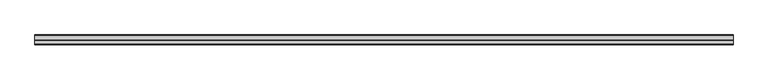
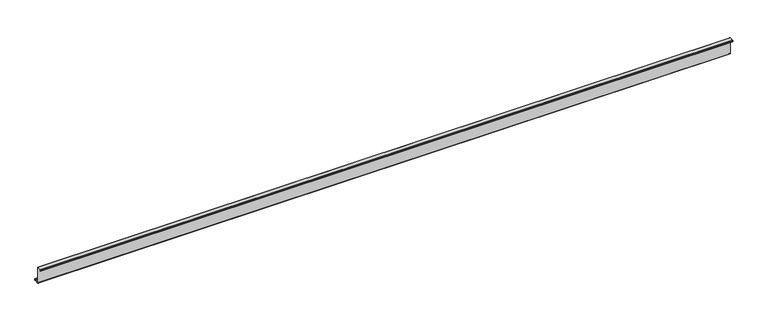
"""IFC4 building model written with IfcOpenShell, lengths in millimetres: member geometry."""

from ifc_helpers import new_model, si_unit, point, frame, frame_2d, origin, place, context, project, spatial, polyline, circle_curve, trimmed, segment, composite_curve, outline, extrude, source, transform, mapped, element, save


def member_78ccd641(model_context):
    return source(origin(), model_context, "Body", "SweptSolid", [
        extrude(outline(composite_curve([segment(polyline([(0.0, -123.5), (0.0, 123.5)]), True, "CONTINUOUS"), segment(trimmed(circle_curve(frame_2d((-2.0, 123.5)), 2.0), [point((0.0, 123.5))], [point((-2.0, 125.5))], True, "CARTESIAN"), True, "CONTINUOUS"), segment(polyline([(-2.0, 125.5), (-63.5, 125.5)]), True, "CONTINUOUS"), segment(trimmed(circle_curve(frame_2d((-63.5, 123.5)), 2.0), [point((-63.5, 125.5))], [point((-65.5, 123.5))], True, "CARTESIAN"), True, "CONTINUOUS"), segment(polyline([(-65.5, 123.5), (-65.5, 107.0), (-67.0, 107.0), (-67.0, 123.5)]), True, "CONTINUOUS"), segment(trimmed(circle_curve(frame_2d((-63.5, 123.5)), 3.5), [point((-67.0, 123.5))], [point((-63.5, 127.0))], False, "CARTESIAN"), True, "CONTINUOUS"), segment(polyline([(-63.5, 127.0), (-2.0, 127.0)]), True, "CONTINUOUS"), segment(trimmed(circle_curve(frame_2d((-2.0, 123.5)), 3.5), [point((-2.0, 127.0))], [point((1.5, 123.5))], False, "CARTESIAN"), True, "CONTINUOUS"), segment(polyline([(1.5, 123.5), (1.5, -123.5)]), True, "CONTINUOUS"), segment(trimmed(circle_curve(frame_2d((3.5, -123.5)), 2.0), [point((1.5, -123.5))], [point((3.5, -125.5))], True, "CARTESIAN"), True, "CONTINUOUS"), segment(polyline([(3.5, -125.5), (75.0, -125.5)]), True, "CONTINUOUS"), segment(trimmed(circle_curve(frame_2d((75.0, -123.5)), 2.0), [point((75.0, -125.5))], [point((77.0, -123.5))], True, "CARTESIAN"), True, "CONTINUOUS"), segment(polyline([(77.0, -123.5), (77.0, -107.5), (78.5, -107.5), (78.5, -123.5)]), True, "CONTINUOUS"), segment(trimmed(circle_curve(frame_2d((75.0, -123.5)), 3.5), [point((78.5, -123.5))], [point((75.0, -127.0))], False, "CARTESIAN"), True, "CONTINUOUS"), segment(polyline([(75.0, -127.0), (3.5, -127.0)]), True, "CONTINUOUS"), segment(trimmed(circle_curve(frame_2d((3.5, -123.5)), 3.5), [point((3.5, -127.0))], [point((0.0, -123.5))], False, "CARTESIAN"), True, "CONTINUOUS")], self_intersect=False)), frame((-4855.0, 0.0, 0.0), z_axis=(1.0, 0.0, 0.0), x_axis=(0.0, 1.0, 0.0)), (0.0, 0.0, 1.0), 10460.0),
    ])


if __name__ == "__main__":
    model = new_model("IFC4")
    model_context = context("Model", 3, world=origin())
    ifc_project = project(units=[si_unit("LENGTHUNIT", "METRE", prefix="MILLI")], contexts=[model_context])
    site = spatial("IfcSite", under=ifc_project)
    building = spatial("IfcBuilding", under=site)
    placement = place(None, origin())
    member_shape = member_78ccd641(model_context)
    element("IfcMember", 1, at=placement, inside=building, context=model_context, shape_type="MappedRepresentation", body=[
        mapped(member_shape, transform((0.0, 0.0, 0.0), x_axis=(1.0, 0.0, 0.0), y_axis=(0.0, 1.0, 0.0), z_axis=(0.0, 0.0, 1.0))),
    ])
    save(model, "model.ifc")
